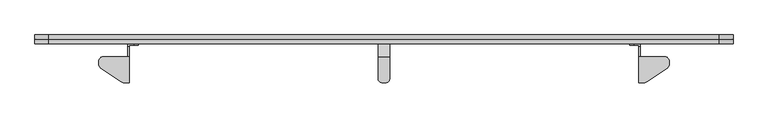
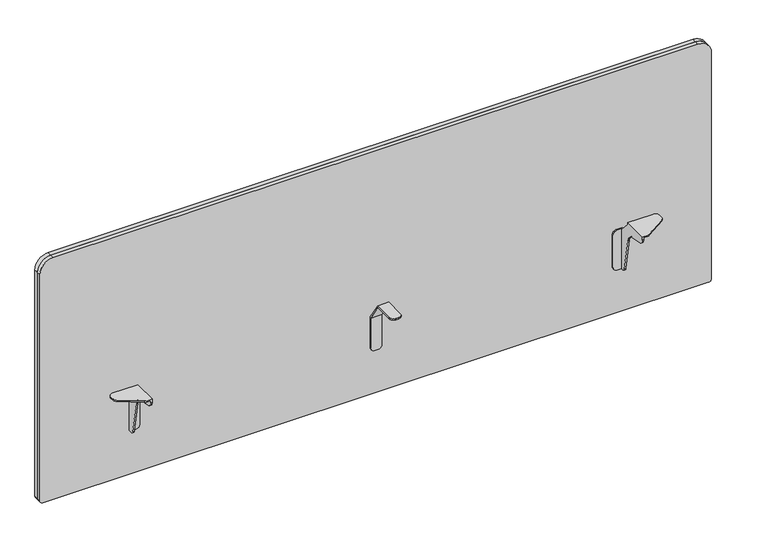
"""IFC4 building model written with IfcOpenShell, lengths in millimetres: furniture geometry."""

from ifc_helpers import new_model, si_unit, frame, origin, place, context, project, spatial, polyline, circle_curve, source, transform, mapped, element, save
from ifc_brep_helpers import plane_surface, cylinder_surface, revolved_surface, advanced_brep


def furniture_8a309fe4(model_context):
    return source(origin(), model_context, "Body", "AdvancedBrep", [
        advanced_brep(
        [(749.2997169, -51.5620008, 711.1999758), (749.2997169, -51.5620008, 708.1519787), (758.8247169, -61.0870008, 708.1519787), (758.8247169, -61.0870008, 711.1999758), (774.6996927, -51.5620008, 708.1519787), (774.6996927, -51.5620008, 711.1999758), (765.1746927, -61.0870008, 711.1999758), (765.1746927, -61.0870008, 708.1519787), (749.2997169, -5.7911998, 711.1999758), (749.2997169, 24.0041421, 665.1039487), (749.2997169, 24.0041421, 594.5378016), (749.2997169, 20.8280006, 594.5378016), (749.2997169, 20.8280006, 665.3021959), (749.2997169, -6.8690484, 708.1519787), (774.6996927, -6.8690484, 708.1519787), (774.6996927, 20.8280006, 665.3021959), (774.6996927, 20.8280006, 594.5378016), (774.6996927, 24.0041421, 594.5378016), (774.6996927, 24.0041421, 665.1039487), (774.6996927, -5.7911998, 711.1999758), (765.1746927, 24.0041421, 585.0128016), (758.8247169, 24.0041421, 585.0128016), (758.8247169, 20.8280006, 585.0128016), (765.1746927, 20.8280006, 585.0128016)],
        [
            (0, 1),
            (1, 2, circle_curve(frame((758.8247169, -51.5620008, 708.1519787), z_axis=(0.0, 0.0, 1.0), x_axis=(0.0, 1.0, 0.0)), 9.525)),
            (2, 3),
            (3, 0, circle_curve(frame((758.8247169, -51.5620008, 711.1999758), z_axis=(0.0, 0.0, -1.0), x_axis=(0.0, 1.0, 0.0)), 9.525)),
            (4, 5),
            (5, 6, circle_curve(frame((765.1746927, -51.5620008, 711.1999758), z_axis=(0.0, 0.0, -1.0), x_axis=(0.0, 1.0, 0.0)), 9.525)),
            (6, 7),
            (7, 4, circle_curve(frame((765.1746927, -51.5620008, 708.1519787), z_axis=(0.0, 0.0, 1.0), x_axis=(0.0, 1.0, 0.0)), 9.525)),
            (8, 9),
            (9, 10),
            (10, 11),
            (11, 12),
            (12, 13),
            (13, 1),
            (0, 8),
            (14, 15),
            (15, 16),
            (16, 17),
            (17, 18),
            (18, 19),
            (19, 5),
            (4, 14),
            (13, 14),
            (7, 2),
            (19, 8),
            (3, 6),
            (18, 9),
            (17, 20, circle_curve(frame((765.1746927, 24.0041421, 594.5378016), z_axis=(0.0, 1.0, 0.0), x_axis=(-1.0, 0.0, 0.0)), 9.525)),
            (20, 21),
            (21, 10, circle_curve(frame((758.8247169, 24.0041421, 594.5378016), z_axis=(0.0, 1.0, 0.0), x_axis=(-1.0, 0.0, 0.0)), 9.525)),
            (15, 12),
            (11, 22, circle_curve(frame((758.8247169, 20.8280006, 594.5378016), z_axis=(0.0, -1.0, 0.0), x_axis=(-1.0, 0.0, 0.0)), 9.525)),
            (22, 23),
            (23, 16, circle_curve(frame((765.1746927, 20.8280006, 594.5378016), z_axis=(0.0, -1.0, 0.0), x_axis=(-1.0, 0.0, 0.0)), 9.525)),
            (22, 21),
            (20, 23),
        ],
        [
            cylinder_surface(frame((758.8247169, -51.5620008, 711.1999758), z_axis=(0.0, 0.0, 1.0), x_axis=(0.0, 1.0, 0.0)), 9.525),
            cylinder_surface(frame((765.1746927, -51.5620008, 711.1999758), z_axis=(0.0, 0.0, 1.0), x_axis=(0.0, 1.0, 0.0)), 9.525),
            plane_surface(frame((749.2997169, 0.0, 629.5388266), z_axis=(-1.0, 0.0, 0.0), x_axis=(0.0, 0.0, 1.0))),
            plane_surface(frame((774.6996927, 0.0, 629.5388266), z_axis=(1.0, 0.0, 0.0), x_axis=(0.0, 0.0, 1.0))),
            plane_surface(frame((749.2997169, -6.8690484, 708.1519787), z_axis=(0.0, 0.0, -1.0), x_axis=(1.0, 0.0, 0.0))),
            plane_surface(frame((749.2997169, -61.0870008, 711.1999758), z_axis=(0.0, 0.0, 1.0), x_axis=(1.0, 0.0, 0.0))),
            plane_surface(frame((749.2997169, -5.7911998, 711.1999758), z_axis=(0.0, 0.8398318088964818, 0.5428466936121683), x_axis=(1.0, 0.0, 0.0))),
            plane_surface(frame((749.2997169, 24.0041421, 665.1039487), z_axis=(0.0, 1.0, 0.0), x_axis=(1.0, 0.0, 0.0))),
            plane_surface(frame((749.2997169, 20.8280006, 585.0128016), z_axis=(0.0, -1.0, 0.0), x_axis=(1.0, 0.0, 0.0))),
            plane_surface(frame((749.2997169, 20.8280006, 665.3021959), z_axis=(0.0, -0.8398318106362305, -0.5428466909206234), x_axis=(1.0, 0.0, 0.0))),
            plane_surface(frame((749.2997169, -61.0870008, 708.1519787), z_axis=(0.0, -1.0, 0.0), x_axis=(1.0, 0.0, 0.0))),
            plane_surface(frame((749.2997169, 24.0041421, 585.0128016), z_axis=(0.0, 0.0, -1.0), x_axis=(1.0, 0.0, 0.0))),
            cylinder_surface(frame((758.8247169, 20.8280006, 594.5378016), z_axis=(0.0, -1.0, 0.0), x_axis=(-1.0, 0.0, 0.0)), 9.525),
            cylinder_surface(frame((765.1746927, 20.8280006, 594.5378016), z_axis=(0.0, -1.0, 0.0), x_axis=(-1.0, 0.0, 0.0)), 9.525),
        ],
        [
            (0, [[1, 2, 3, 4]]),
            (1, [[5, 6, 7, 8]]),
            (2, [[9, 10, 11, 12, 13, 14, -1, 15]]),
            (3, [[16, 17, 18, 19, 20, 21, -5, 22]]),
            (4, [[23, -22, -8, 24, -2, -14]]),
            (5, [[25, -15, -4, 26, -6, -21]]),
            (6, [[-9, -25, -20, 27]]),
            (7, [[-27, -19, 28, 29, 30, -10]]),
            (8, [[31, -12, 32, 33, 34, -17]]),
            (9, [[-13, -31, -16, -23]]),
            (10, [[-26, -3, -24, -7]]),
            (11, [[-33, 35, -29, 36]]),
            (12, [[-11, -30, -35, -32]]),
            (13, [[-18, -34, -36, -28]]),
        ],
    ),
        advanced_brep(
        [(206.8829935, -4.3180001, 711.1999758), (150.402651, -4.3180001, 711.1999758), (140.5889931, -14.1316581, 711.1999758), (140.5889931, -20.7803664, 711.1999758), (145.2146694, -29.3891686, 711.1999758), (190.0644164, -59.0745687, 711.1999758), (196.3290217, -60.9600009, 711.1999758), (206.8829935, -60.9600009, 711.1999758), (196.3290217, -60.9600009, 708.1519787), (190.0644164, -59.0745687, 708.1519787), (145.2146694, -29.3891686, 708.1519787), (140.5889931, -20.7803664, 708.1519787), (140.5889931, -14.1316581, 708.1519787), (150.402651, -4.3180001, 708.1519787), (203.8349964, -4.3180001, 708.1519787), (203.8349964, -60.9600009, 708.1519787), (206.8829935, -4.3180001, 706.1199806), (203.8349964, -4.3180001, 706.1199806), (203.8349964, -60.9600009, 703.8265101), (206.8829935, -60.9600009, 703.8265101), (206.8829935, -50.2113329, 691.0167374), (206.8829935, -23.9076971, 686.378678), (206.8829935, -3.731792, 666.2027591), (206.8829935, 9.5046172, 591.1353553), (206.8829935, 15.6509087, 585.9780044), (206.8829935, 20.8280006, 585.9780044), (206.8829935, 20.8280006, 681.227968), (206.8829935, 18.7960002, 681.227968), (203.8349964, 18.7960002, 681.227968), (203.8349964, 24.0041421, 681.227968), (203.8349964, 24.0041421, 585.9780044), (203.8349964, 15.6509087, 585.9780044), (203.8349964, 9.5046172, 591.1353553), (203.8349964, -3.731792, 666.2027591), (203.8349964, -23.9076971, 686.378678), (203.8349964, -50.2113329, 691.0167374), (216.6619932, 24.0041421, 681.227968), (226.1869932, 24.0041421, 671.702968), (226.1869932, 24.0041421, 595.5030044), (216.6619932, 24.0041421, 585.9780044), (216.6619932, 20.8280006, 585.9780044), (216.6619932, 20.8280006, 681.227968), (226.1869932, 20.8280006, 595.5030044), (226.1869932, 20.8280006, 671.702968)],
        [
            (0, 1),
            (1, 2, circle_curve(frame((150.402651, -14.1316581, 711.1999758), z_axis=(0.0, 0.0, 1.0), x_axis=(-1.0, 0.0, 0.0)), 9.8136579)),
            (2, 3),
            (3, 4, circle_curve(frame((150.9127113, -20.7803664, 711.1999758), z_axis=(0.0, 0.0, 1.0), x_axis=(-1.0, 0.0, 0.0)), 10.3237182)),
            (4, 5),
            (5, 6, circle_curve(frame((196.3290217, -49.6097826, 711.1999758), z_axis=(0.0, 0.0, 1.0), x_axis=(-1.0, 0.0, 0.0)), 11.3502183)),
            (6, 7),
            (7, 0),
            (8, 9, circle_curve(frame((196.3290217, -49.6097826, 708.1519787), z_axis=(0.0, 0.0, -1.0), x_axis=(-1.0, 0.0, 0.0)), 11.3502183)),
            (9, 10),
            (10, 11, circle_curve(frame((150.9127113, -20.7803664, 708.1519787), z_axis=(0.0, 0.0, -1.0), x_axis=(-1.0, 0.0, 0.0)), 10.3237182)),
            (11, 12),
            (12, 13, circle_curve(frame((150.402651, -14.1316581, 708.1519787), z_axis=(0.0, 0.0, -1.0), x_axis=(-1.0, 0.0, 0.0)), 9.8136579)),
            (13, 14),
            (14, 15),
            (15, 8),
            (0, 16),
            (16, 17),
            (17, 14),
            (13, 1),
            (12, 2),
            (11, 3),
            (10, 4),
            (9, 5),
            (8, 6),
            (15, 18),
            (18, 19),
            (19, 7),
            (19, 20, circle_curve(frame((206.8829935, -47.9526152, 703.8265101), z_axis=(1.0, 0.0, 0.0), x_axis=(0.0, 1.0, 0.0)), 13.0073857)),
            (20, 21),
            (21, 22, circle_curve(frame((206.8829935, -28.2268544, 661.8836185), z_axis=(-1.0, 0.0, 0.0), x_axis=(0.0, 1.0, 0.0)), 24.8729383)),
            (22, 23),
            (23, 24, circle_curve(frame((206.8829935, 15.6509087, 592.2191124), z_axis=(1.0, 0.0, 0.0), x_axis=(0.0, 1.0, 0.0)), 6.241108)),
            (24, 25),
            (25, 26),
            (26, 27),
            (27, 16),
            (17, 28),
            (28, 29),
            (29, 30),
            (30, 31),
            (31, 32, circle_curve(frame((203.8349964, 15.6509087, 592.2191124), z_axis=(-1.0, 0.0, 0.0), x_axis=(0.0, 1.0, 0.0)), 6.241108)),
            (32, 33),
            (33, 34, circle_curve(frame((203.8349964, -28.2268544, 661.8836185), z_axis=(1.0, 0.0, 0.0), x_axis=(0.0, 1.0, 0.0)), 24.8729383)),
            (34, 35),
            (35, 18, circle_curve(frame((203.8349964, -47.9526152, 703.8265101), z_axis=(-1.0, 0.0, 0.0), x_axis=(0.0, 1.0, 0.0)), 13.0073857)),
            (29, 36),
            (36, 37, circle_curve(frame((216.6619932, 24.0041421, 671.702968), z_axis=(0.0, 1.0, 0.0), x_axis=(1.0, 0.0, 0.0)), 9.525)),
            (37, 38),
            (38, 39, circle_curve(frame((216.6619932, 24.0041421, 595.5030044), z_axis=(0.0, 1.0, 0.0), x_axis=(1.0, 0.0, 0.0)), 9.525)),
            (39, 30),
            (35, 20),
            (34, 21),
            (33, 22),
            (32, 23),
            (31, 24),
            (39, 40),
            (40, 25),
            (28, 27),
            (26, 41),
            (41, 36),
            (40, 42, circle_curve(frame((216.6619932, 20.8280006, 595.5030044), z_axis=(0.0, -1.0, 0.0), x_axis=(1.0, 0.0, 0.0)), 9.525)),
            (42, 43),
            (43, 41, circle_curve(frame((216.6619932, 20.8280006, 671.702968), z_axis=(0.0, -1.0, 0.0), x_axis=(1.0, 0.0, 0.0)), 9.525)),
            (38, 42),
            (37, 43),
        ],
        [
            plane_surface(frame((150.402651, -4.3180001, 711.1999758), z_axis=(0.0, 0.0, 1.0), x_axis=(-1.0, 0.0, 0.0))),
            plane_surface(frame((150.402651, -4.3180001, 708.1519787), z_axis=(0.0, 0.0, -1.0), x_axis=(1.0, 0.0, 0.0))),
            plane_surface(frame((206.8829935, -4.3180001, 711.1999758), z_axis=(0.0, 1.0, 0.0), x_axis=(0.0, 0.0, -1.0))),
            cylinder_surface(frame((150.402651, -14.1316581, 708.1519787), z_axis=(0.0, 0.0, 1.0), x_axis=(-1.0, 0.0, 0.0)), 9.8136579),
            plane_surface(frame((140.5889931, -14.1316581, 711.1999758), z_axis=(-1.0, 0.0, 0.0), x_axis=(0.0, 0.0, -1.0))),
            cylinder_surface(frame((150.9127113, -20.7803664, 708.1519787), z_axis=(0.0, 0.0, 1.0), x_axis=(-1.0, 0.0, 0.0)), 10.3237182),
            plane_surface(frame((145.2146694, -29.3891686, 711.1999758), z_axis=(-0.5519369866119054, -0.8338858212068182, 0.0), x_axis=(0.0, 0.0, -1.0))),
            cylinder_surface(frame((196.3290217, -49.6097826, 708.1519787), z_axis=(0.0, 0.0, 1.0), x_axis=(-1.0, 0.0, 0.0)), 11.3502183),
            plane_surface(frame((196.3290217, -60.9600009, 711.1999758), z_axis=(0.0, -1.0, 0.0), x_axis=(0.0, 0.0, -1.0))),
            plane_surface(frame((206.8829935, -60.9600009, 711.1999758), z_axis=(1.0, 0.0, 0.0), x_axis=(0.0, 0.0, -1.0))),
            plane_surface(frame((203.8349964, -60.9600009, 708.1519787), z_axis=(-1.0, 0.0, 0.0), x_axis=(0.0, 1.0, 0.0))),
            plane_surface(frame((206.8829935, 24.0041421, 585.9780044), z_axis=(0.0, 1.0, 0.0), x_axis=(-1.0, 0.0, 0.0))),
            cylinder_surface(frame((203.8349964, -47.9526152, 703.8265101), z_axis=(1.0, 0.0, 0.0), x_axis=(0.0, 1.0, 0.0)), 13.0073857),
            plane_surface(frame((206.8829935, -50.2113329, 691.0167374), z_axis=(0.0, -0.17364885742427638, -0.9848076331524057), x_axis=(-1.0, 0.0, 0.0))),
            revolved_surface(polyline([(203.8349964, -3.3539160999999993, 661.8836185), (206.8829935, -3.3539160999999993, 661.8836185)]), (203.8349964, -28.2268544, 661.8836185), (-1.0, 0.0, 0.0)),
            plane_surface(frame((206.8829935, -3.731792, 666.2027591), z_axis=(0.0, -0.9848077519646093, -0.17364818360815795), x_axis=(-1.0, 0.0, 0.0))),
            cylinder_surface(frame((203.8349964, 15.6509087, 592.2191124), z_axis=(1.0, 0.0, 0.0), x_axis=(0.0, 1.0, 0.0)), 6.241108),
            plane_surface(frame((206.8829935, 15.6509087, 585.9780044), z_axis=(0.0, 0.0, -1.0), x_axis=(-1.0, 0.0, 0.0))),
            plane_surface(frame((206.8829935, 24.0041421, 681.227968), z_axis=(0.0, 0.0, 1.0), x_axis=(-1.0, 0.0, 0.0))),
            plane_surface(frame((206.8829935, 18.7960002, 681.227968), z_axis=(0.0, 0.7327936577078579, 0.6804509205101709), x_axis=(-1.0, 0.0, 0.0))),
            plane_surface(frame((216.6619932, 20.8280006, 585.9780044), z_axis=(0.0, -1.0, 0.0), x_axis=(1.0, 0.0, 0.0))),
            cylinder_surface(frame((216.6619932, 24.0041421, 595.5030044), z_axis=(0.0, -1.0, 0.0), x_axis=(1.0, 0.0, 0.0)), 9.525),
            plane_surface(frame((226.1869932, 20.8280006, 595.5030044), z_axis=(1.0, 0.0, 0.0), x_axis=(0.0, 1.0, 0.0))),
            cylinder_surface(frame((216.6619932, 24.0041421, 671.702968), z_axis=(0.0, -1.0, 0.0), x_axis=(1.0, 0.0, 0.0)), 9.525),
        ],
        [
            (0, [[1, 2, 3, 4, 5, 6, 7, 8]]),
            (1, [[9, 10, 11, 12, 13, 14, 15, 16]]),
            (2, [[-1, 17, 18, 19, -14, 20]]),
            (3, [[-2, -20, -13, 21]]),
            (4, [[-3, -21, -12, 22]]),
            (5, [[-4, -22, -11, 23]]),
            (6, [[-5, -23, -10, 24]]),
            (7, [[-6, -24, -9, 25]]),
            (8, [[-7, -25, -16, 26, 27, 28]]),
            (9, [[-8, -28, 29, 30, 31, 32, 33, 34, 35, 36, 37, -17]]),
            (10, [[-19, 38, 39, 40, 41, 42, 43, 44, 45, 46, -26, -15]]),
            (11, [[-40, 47, 48, 49, 50, 51]]),
            (12, [[-46, 52, -29, -27]]),
            (13, [[-45, 53, -30, -52]]),
            (14, [[-44, 54, -31, -53]]),
            (15, [[-43, 55, -32, -54]]),
            (16, [[-42, 56, -33, -55]]),
            (17, [[-56, -41, -51, 57, 58, -34]]),
            (18, [[59, -36, 60, 61, -47, -39]]),
            (19, [[-38, -18, -37, -59]]),
            (20, [[62, 63, 64, -60, -35, -58]]),
            (21, [[-62, -57, -50, 65]]),
            (22, [[-63, -65, -49, 66]]),
            (23, [[-64, -66, -48, -61]]),
        ],
    ),
        advanced_brep(
        [(1317.1169884, -4.3180001, 711.1999758), (1317.1169884, -60.9600009, 711.1999758), (1327.6709601, -60.9600009, 711.1999758), (1333.9355654, -59.0745687, 711.1999758), (1378.7853125, -29.3891686, 711.1999758), (1383.4109887, -20.7803664, 711.1999758), (1383.4109887, -14.1316581, 711.1999758), (1373.5973308, -4.3180001, 711.1999758), (1373.5973308, -4.3180001, 708.1519787), (1383.4109887, -14.1316581, 708.1519787), (1383.4109887, -20.7803664, 708.1519787), (1378.7853125, -29.3891686, 708.1519787), (1333.9355654, -59.0745687, 708.1519787), (1327.6709601, -60.9600009, 708.1519787), (1320.1649855, -60.9600009, 708.1519787), (1320.1649855, -4.3180001, 708.1519787), (1317.1169884, -4.3180001, 706.1199806), (1317.1169884, 18.7960002, 681.227968), (1317.1169884, 20.8280006, 681.227968), (1317.1169884, 20.8280006, 585.9780044), (1317.1169884, 15.6509087, 585.9780044), (1317.1169884, 9.5046172, 591.1353553), (1317.1169884, -3.731792, 666.2027591), (1317.1169884, -23.9076971, 686.378678), (1317.1169884, -50.2113329, 691.0167374), (1317.1169884, -60.9600009, 703.8265101), (1320.1649855, -60.9600009, 703.8265101), (1320.1649855, -4.3180001, 706.1199806), (1320.1655941, 24.0041421, 585.9780044), (1307.3385972, 24.0041421, 585.9780044), (1297.8135972, 24.0041421, 595.5030044), (1297.8135972, 24.0041421, 671.702968), (1307.3385972, 24.0041421, 681.227968), (1320.1655941, 24.0041421, 681.227968), (1307.3385972, 20.8280006, 681.227968), (1297.8135972, 20.8280006, 671.702968), (1297.8135972, 20.8280006, 595.5030044), (1307.3385972, 20.8280006, 585.9780044), (1320.1655941, 18.7960002, 681.227968), (1320.1655941, -50.2113329, 691.0167374), (1320.1655941, -23.9076971, 686.378678), (1320.1655941, -3.731792, 666.2027591), (1320.1655941, 9.5046172, 591.1353553), (1320.1655941, 15.6509087, 585.9780044)],
        [
            (0, 1),
            (1, 2),
            (2, 3, circle_curve(frame((1327.6709601, -49.6097826, 711.1999758), z_axis=(0.0, 0.0, 1.0), x_axis=(-1.0, 0.0, 0.0)), 11.3502183)),
            (3, 4),
            (4, 5, circle_curve(frame((1373.0872706, -20.7803664, 711.1999758), z_axis=(0.0, 0.0, 1.0), x_axis=(-1.0, 0.0, 0.0)), 10.3237182)),
            (5, 6),
            (6, 7, circle_curve(frame((1373.5973308, -14.1316581, 711.1999758), z_axis=(0.0, 0.0, 1.0), x_axis=(-1.0, 0.0, 0.0)), 9.8136579)),
            (7, 0),
            (8, 9, circle_curve(frame((1373.5973308, -14.1316581, 708.1519787), z_axis=(0.0, 0.0, -1.0), x_axis=(-1.0, 0.0, 0.0)), 9.8136579)),
            (9, 10),
            (10, 11, circle_curve(frame((1373.0872706, -20.7803664, 708.1519787), z_axis=(0.0, 0.0, -1.0), x_axis=(-1.0, 0.0, 0.0)), 10.3237182)),
            (11, 12),
            (12, 13, circle_curve(frame((1327.6709601, -49.6097826, 708.1519787), z_axis=(0.0, 0.0, -1.0), x_axis=(-1.0, 0.0, 0.0)), 11.3502183)),
            (13, 14),
            (14, 15),
            (15, 8),
            (0, 16),
            (16, 17),
            (17, 18),
            (18, 19),
            (19, 20),
            (20, 21, circle_curve(frame((1317.1169884, 15.6509087, 592.2191124), z_axis=(-1.0, 0.0, 0.0), x_axis=(0.0, 1.0, 0.0)), 6.241108)),
            (21, 22),
            (22, 23, circle_curve(frame((1317.1169884, -28.2268544, 661.8836185), z_axis=(1.0, 0.0, 0.0), x_axis=(0.0, 1.0, 0.0)), 24.8729383)),
            (23, 24),
            (24, 25, circle_curve(frame((1317.1169884, -47.9526152, 703.8265101), z_axis=(-1.0, 0.0, 0.0), x_axis=(0.0, 1.0, 0.0)), 13.0073857)),
            (25, 1),
            (25, 26),
            (26, 14),
            (13, 2),
            (12, 3),
            (11, 4),
            (10, 5),
            (9, 6),
            (8, 7),
            (15, 27),
            (27, 16),
            (28, 29),
            (29, 30, circle_curve(frame((1307.3385972, 24.0041421, 595.5030044), z_axis=(0.0, 1.0, 0.0), x_axis=(1.0, 0.0, 0.0)), 9.525)),
            (30, 31),
            (31, 32, circle_curve(frame((1307.3385972, 24.0041421, 671.702968), z_axis=(0.0, 1.0, 0.0), x_axis=(1.0, 0.0, 0.0)), 9.525)),
            (32, 33),
            (33, 28),
            (34, 35, circle_curve(frame((1307.3385972, 20.8280006, 671.702968), z_axis=(0.0, -1.0, 0.0), x_axis=(1.0, 0.0, 0.0)), 9.525)),
            (35, 36),
            (36, 37, circle_curve(frame((1307.3385972, 20.8280006, 595.5030044), z_axis=(0.0, -1.0, 0.0), x_axis=(1.0, 0.0, 0.0)), 9.525)),
            (37, 19),
            (18, 34),
            (33, 38),
            (38, 27),
            (26, 39, circle_curve(frame((1320.1655941, -47.9526152, 703.8265101), z_axis=(1.0, 0.0, 0.0), x_axis=(0.0, 1.0, 0.0)), 13.0073857)),
            (39, 40),
            (40, 41, circle_curve(frame((1320.1655941, -28.2268544, 661.8836185), z_axis=(-1.0, 0.0, 0.0), x_axis=(0.0, 1.0, 0.0)), 24.8729383)),
            (41, 42),
            (42, 43, circle_curve(frame((1320.1655941, 15.6509087, 592.2191124), z_axis=(1.0, 0.0, 0.0), x_axis=(0.0, 1.0, 0.0)), 6.241108)),
            (43, 28),
            (32, 34),
            (17, 38),
            (31, 35),
            (30, 36),
            (29, 37),
            (43, 20),
            (39, 24),
            (23, 40),
            (42, 21),
            (41, 22),
        ],
        [
            plane_surface(frame((150.402651, -4.3180001, 711.1999758), z_axis=(0.0, 0.0, 1.0), x_axis=(-1.0, 0.0, 0.0))),
            plane_surface(frame((150.402651, -4.3180001, 708.1519787), z_axis=(0.0, 0.0, -1.0), x_axis=(1.0, 0.0, 0.0))),
            plane_surface(frame((1317.1169884, -4.3180001, 711.1999758), z_axis=(-1.0, 0.0, 0.0), x_axis=(0.0, 0.0, -1.0))),
            plane_surface(frame((1317.1169884, -60.9600009, 711.1999758), z_axis=(0.0, -1.0, 0.0), x_axis=(0.0, 0.0, -1.0))),
            cylinder_surface(frame((1327.6709601, -49.6097826, 629.5388266), z_axis=(0.0, 0.0, 1.0), x_axis=(-1.0, 0.0, 0.0)), 11.3502183),
            plane_surface(frame((1333.9355654, -59.0745687, 711.1999758), z_axis=(0.5519369866119054, -0.8338858212068181, 0.0), x_axis=(0.0, 0.0, -1.0))),
            cylinder_surface(frame((1373.0872706, -20.7803664, 629.5388266), z_axis=(0.0, 0.0, 1.0), x_axis=(-1.0, 0.0, 0.0)), 10.3237182),
            plane_surface(frame((1383.4109887, -20.7803664, 711.1999758), z_axis=(1.0, 0.0, 0.0), x_axis=(0.0, 0.0, -1.0))),
            cylinder_surface(frame((1373.5973308, -14.1316581, 629.5388266), z_axis=(0.0, 0.0, 1.0), x_axis=(-1.0, 0.0, 0.0)), 9.8136579),
            plane_surface(frame((1373.5973308, -4.3180001, 711.1999758), z_axis=(0.0, 1.0, 0.0), x_axis=(0.0, 0.0, -1.0))),
            plane_surface(frame((206.8829935, 24.0041421, 585.9780044), z_axis=(0.0, 1.0, 0.0), x_axis=(-1.0, 0.0, 0.0))),
            plane_surface(frame((216.6619932, 20.8280006, 585.9780044), z_axis=(0.0, -1.0, 0.0), x_axis=(1.0, 0.0, 0.0))),
            plane_surface(frame((1320.1655941, 20.8280006, 585.9780044), z_axis=(1.0, 0.0, 0.0), x_axis=(0.0, 1.0, 0.0))),
            plane_surface(frame((1320.1655941, 20.8280006, 681.227968), z_axis=(0.0, 0.0, 1.0), x_axis=(0.0, 1.0, 0.0))),
            cylinder_surface(frame((1307.3385972, 0.0, 671.702968), z_axis=(0.0, -1.0, 0.0), x_axis=(1.0, 0.0, 0.0)), 9.525),
            plane_surface(frame((1297.8135972, 20.8280006, 671.702968), z_axis=(-1.0, 0.0, 0.0), x_axis=(0.0, 1.0, 0.0))),
            cylinder_surface(frame((1307.3385972, 0.0, 595.5030044), z_axis=(0.0, -1.0, 0.0), x_axis=(1.0, 0.0, 0.0)), 9.525),
            plane_surface(frame((1307.3385972, 20.8280006, 585.9780044), z_axis=(0.0, 0.0, -1.0), x_axis=(0.0, 1.0, 0.0))),
            plane_surface(frame((1317.1169884, -23.9076971, 686.378678), z_axis=(0.0, -0.17364885742426076, -0.9848076331524085), x_axis=(1.0, 0.0, 0.0))),
            cylinder_surface(frame((1320.1649855, -47.9526152, 703.8265101), z_axis=(-1.0, 0.0, 0.0), x_axis=(0.0, 1.0, 0.0)), 13.0073857),
            plane_surface(frame((1317.1169884, -4.3180001, 706.1199806), z_axis=(0.0, 0.7327936577079038, 0.6804509205101213), x_axis=(1.0, 0.0, 0.0))),
            cylinder_surface(frame((1320.1649855, 15.6509087, 592.2191124), z_axis=(-1.0, 0.0, 0.0), x_axis=(0.0, 1.0, 0.0)), 6.241108),
            plane_surface(frame((1317.1169884, 9.5046172, 591.1353553), z_axis=(0.0, -0.9848077519646028, -0.1736481836081949), x_axis=(1.0, 0.0, 0.0))),
            revolved_surface(polyline([(1320.1655941, -3.3539160999999993, 661.8836185), (1317.1169884, -3.3539160999999993, 661.8836185)]), (1320.1649855, -28.2268544, 661.8836185), (1.0, 0.0, 0.0)),
        ],
        [
            (0, [[1, 2, 3, 4, 5, 6, 7, 8]]),
            (1, [[9, 10, 11, 12, 13, 14, 15, 16]]),
            (2, [[-1, 17, 18, 19, 20, 21, 22, 23, 24, 25, 26, 27]]),
            (3, [[-2, -27, 28, 29, -14, 30]]),
            (4, [[-3, -30, -13, 31]]),
            (5, [[-4, -31, -12, 32]]),
            (6, [[-5, -32, -11, 33]]),
            (7, [[-6, -33, -10, 34]]),
            (8, [[-7, -34, -9, 35]]),
            (9, [[-17, -8, -35, -16, 36, 37]]),
            (10, [[38, 39, 40, 41, 42, 43]]),
            (11, [[44, 45, 46, 47, -20, 48]]),
            (12, [[-43, 49, 50, -36, -15, -29, 51, 52, 53, 54, 55, 56]]),
            (13, [[-49, -42, 57, -48, -19, 58]]),
            (14, [[-44, -57, -41, 59]]),
            (15, [[-45, -59, -40, 60]]),
            (16, [[-46, -60, -39, 61]]),
            (17, [[-56, 62, -21, -47, -61, -38]]),
            (18, [[-52, 63, -25, 64]]),
            (19, [[-51, -28, -26, -63]]),
            (20, [[-50, -58, -18, -37]]),
            (21, [[-55, 65, -22, -62]]),
            (22, [[-54, 66, -23, -65]]),
            (23, [[-53, -64, -24, -66]]),
        ],
    ),
        advanced_brep(
        [(1516.1333048, 24.0439405, 481.5071282), (1522.4833048, 24.0439405, 487.8571282), (1522.4833048, 24.0439405, 1029.9183559), (1492.0033048, 24.0439405, 1060.3983559), (32.0103004, 24.0439405, 1060.3983559), (1.5303004, 24.0439405, 1029.9183559), (1.5303004, 24.0439405, 487.8571282), (7.8803004, 24.0439405, 481.5071282), (1522.4833048, 43.052968, 487.8571282), (1516.1333048, 43.052968, 481.5071282), (7.8803004, 43.052968, 481.5071282), (1.5303004, 43.052968, 487.8571282), (1.5303004, 43.052968, 1029.9183559), (32.0103004, 43.052968, 1060.3983559), (1492.0033048, 43.052968, 1060.3983559), (1522.4833048, 43.052968, 1029.9183559), (1522.4833048, 33.781986, 487.8571282), (1516.1333048, 33.781986, 481.5071282), (1521.6831773, 33.5484543, 487.8571282), (1516.1333048, 33.5484543, 482.3072558), (1522.4833048, 33.3149225, 487.8571282), (1516.1333048, 33.3149225, 481.5071282), (1522.4833048, 33.781986, 1029.9183559), (1521.6831773, 33.5484543, 1029.9183559), (1522.4833048, 33.3149225, 1029.9183559), (1492.0033048, 33.781986, 1060.3983559), (1492.0033048, 33.5484543, 1059.5982283), (1492.0033048, 33.3149225, 1060.3983559), (32.0103004, 33.781986, 1060.3983559), (32.0103004, 33.5484543, 1059.5982283), (32.0103004, 33.3149225, 1060.3983559), (1.5303004, 33.781986, 1029.9183559), (2.3304279, 33.5484543, 1029.9183559), (1.5303004, 33.3149225, 1029.9183559), (1.5303004, 33.781986, 487.8571282), (2.3304279, 33.5484543, 487.8571282), (1.5303004, 33.3149225, 487.8571282), (7.8803004, 33.781986, 481.5071282), (7.8803004, 33.5484543, 482.3072558), (7.8803004, 33.3149225, 481.5071282)],
        [
            (0, 1, circle_curve(frame((1516.1333048, 24.0439405, 487.8571282), z_axis=(0.0, -1.0, 0.0), x_axis=(0.0, 0.0, -1.0)), 6.35)),
            (1, 2),
            (2, 3, circle_curve(frame((1492.0033048, 24.0439405, 1029.9183559), z_axis=(0.0, -1.0, 0.0), x_axis=(1.0, 0.0, 0.0)), 30.48)),
            (3, 4),
            (4, 5, circle_curve(frame((32.0103004, 24.0439405, 1029.9183559), z_axis=(0.0, -1.0, 0.0), x_axis=(0.0, 0.0, 1.0)), 30.48)),
            (5, 6),
            (6, 7, circle_curve(frame((7.8803004, 24.0439405, 487.8571282), z_axis=(0.0, -1.0, 0.0), x_axis=(-1.0, 0.0, 0.0)), 6.35)),
            (7, 0),
            (8, 9, circle_curve(frame((1516.1333048, 43.052968, 487.8571282), z_axis=(0.0, 1.0, 0.0), x_axis=(0.0, 0.0, -1.0)), 6.35)),
            (9, 10),
            (10, 11, circle_curve(frame((7.8803004, 43.052968, 487.8571282), z_axis=(0.0, 1.0, 0.0), x_axis=(-1.0, 0.0, 0.0)), 6.35)),
            (11, 12),
            (12, 13, circle_curve(frame((32.0103004, 43.052968, 1029.9183559), z_axis=(0.0, 1.0, 0.0), x_axis=(0.0, 0.0, 1.0)), 30.48)),
            (13, 14),
            (14, 15, circle_curve(frame((1492.0033048, 43.052968, 1029.9183559), z_axis=(0.0, 1.0, 0.0), x_axis=(1.0, 0.0, 0.0)), 30.48)),
            (15, 8),
            (16, 17, circle_curve(frame((1516.1333048, 33.781986, 487.8571282), z_axis=(0.0, 1.0, 0.0), x_axis=(0.0, 0.0, -1.0)), 6.35)),
            (17, 9),
            (8, 16),
            (16, 18),
            (18, 19, circle_curve(frame((1516.1333048, 33.5484543, 487.8571282), z_axis=(0.0, 1.0, 0.0), x_axis=(0.0, 0.0, -1.0)), 5.5498725)),
            (19, 17),
            (18, 20),
            (20, 21, circle_curve(frame((1516.1333048, 33.3149225, 487.8571282), z_axis=(0.0, 1.0, 0.0), x_axis=(0.0, 0.0, -1.0)), 6.35)),
            (21, 19),
            (20, 1),
            (0, 21),
            (15, 22),
            (22, 16),
            (22, 23),
            (23, 18),
            (23, 24),
            (24, 20),
            (24, 2),
            (14, 25),
            (25, 22, circle_curve(frame((1492.0033048, 33.781986, 1029.9183559), z_axis=(0.0, 1.0, 0.0), x_axis=(1.0, 0.0, 0.0)), 30.48)),
            (25, 26),
            (26, 23, circle_curve(frame((1492.0033048, 33.5484543, 1029.9183559), z_axis=(0.0, 1.0, 0.0), x_axis=(1.0, 0.0, 0.0)), 29.6798725)),
            (26, 27),
            (27, 24, circle_curve(frame((1492.0033048, 33.3149225, 1029.9183559), z_axis=(0.0, 1.0, 0.0), x_axis=(1.0, 0.0, 0.0)), 30.48)),
            (27, 3),
            (13, 28),
            (28, 25),
            (28, 29),
            (29, 26),
            (29, 30),
            (30, 27),
            (30, 4),
            (12, 31),
            (31, 28, circle_curve(frame((32.0103004, 33.781986, 1029.9183559), z_axis=(0.0, 1.0, 0.0), x_axis=(0.0, 0.0, 1.0)), 30.48)),
            (31, 32),
            (32, 29, circle_curve(frame((32.0103004, 33.5484543, 1029.9183559), z_axis=(0.0, 1.0, 0.0), x_axis=(0.0, 0.0, 1.0)), 29.6798725)),
            (32, 33),
            (33, 30, circle_curve(frame((32.0103004, 33.3149225, 1029.9183559), z_axis=(0.0, 1.0, 0.0), x_axis=(0.0, 0.0, 1.0)), 30.48)),
            (33, 5),
            (11, 34),
            (34, 31),
            (34, 35),
            (35, 32),
            (35, 36),
            (36, 33),
            (36, 6),
            (10, 37),
            (37, 34, circle_curve(frame((7.8803004, 33.781986, 487.8571282), z_axis=(0.0, 1.0, 0.0), x_axis=(-1.0, 0.0, 0.0)), 6.35)),
            (37, 38),
            (38, 35, circle_curve(frame((7.8803004, 33.5484543, 487.8571282), z_axis=(0.0, 1.0, 0.0), x_axis=(-1.0, 0.0, 0.0)), 5.5498725)),
            (38, 39),
            (39, 36, circle_curve(frame((7.8803004, 33.3149225, 487.8571282), z_axis=(0.0, 1.0, 0.0), x_axis=(-1.0, 0.0, 0.0)), 6.35)),
            (39, 7),
            (17, 37),
            (19, 38),
            (21, 39),
        ],
        [
            plane_surface(frame((3.8562405, 24.0439405, 487.8571282), z_axis=(0.0, -1.0, 0.0), x_axis=(0.0, 0.0, -1.0))),
            plane_surface(frame((3.8562405, 43.052968, 487.8571282), z_axis=(0.0, 1.0, 0.0), x_axis=(0.0, 0.0, 1.0))),
            cylinder_surface(frame((1516.1333048, 33.5484543, 487.8571282), z_axis=(0.0, -1.0, 0.0), x_axis=(0.0, 0.0, -1.0)), 6.35),
            revolved_surface(polyline([(1516.1333048, 33.781986, 481.5071282), (1516.1333048, 33.5484543, 482.3072558)]), (1516.1333048, 33.5484543, 487.8571282), (0.0, -1.0, 0.0)),
            revolved_surface(polyline([(1516.1333048, 33.5484543, 482.3072558), (1516.1333048, 33.3149225, 481.5071282)]), (1516.1333048, 33.5484543, 487.8571282), (0.0, -1.0, 0.0)),
            plane_surface(frame((1522.4833048, 43.052968, 487.8571282), z_axis=(1.0, 0.0, 0.0), x_axis=(0.0, 0.0, 1.0))),
            plane_surface(frame((1522.4833048, 33.781986, 487.8571282), z_axis=(0.28017820000937, -0.9599480070501264, 0.0), x_axis=(0.0, 0.0, 1.0))),
            plane_surface(frame((1521.6831773, 33.5484543, 487.8571282), z_axis=(0.28017820000557897, 0.959948007051233, 0.0), x_axis=(0.0, 0.0, 1.0))),
            plane_surface(frame((1522.4833048, 33.3149225, 487.8571282), z_axis=(1.0, 0.0, 0.0), x_axis=(0.0, 0.0, 1.0))),
            cylinder_surface(frame((1492.0033048, 33.5484543, 1029.9183559), z_axis=(0.0, -1.0, 0.0), x_axis=(1.0, 0.0, 0.0)), 30.48),
            revolved_surface(polyline([(1522.4833048, 33.781986, 1029.9183559), (1521.6831773, 33.5484543, 1029.9183559)]), (1492.0033048, 33.5484543, 1029.9183559), (0.0, -1.0, 0.0)),
            revolved_surface(polyline([(1521.6831773, 33.5484543, 1029.9183559), (1522.4833048, 33.3149225, 1029.9183559)]), (1492.0033048, 33.5484543, 1029.9183559), (0.0, -1.0, 0.0)),
            plane_surface(frame((1492.0033048, 43.052968, 1060.3983559), z_axis=(0.0, 0.0, 1.0), x_axis=(-1.0, 0.0, 0.0))),
            plane_surface(frame((1492.0033048, 33.781986, 1060.3983559), z_axis=(0.0, -0.9599480070501255, 0.2801782000093731), x_axis=(-1.0, 0.0, 0.0))),
            plane_surface(frame((1492.0033048, 33.5484543, 1059.5982283), z_axis=(0.0, 0.9599480070512338, 0.28017820000557586), x_axis=(-1.0, 0.0, 0.0))),
            plane_surface(frame((1492.0033048, 33.3149225, 1060.3983559), z_axis=(0.0, 0.0, 1.0), x_axis=(-1.0, 0.0, 0.0))),
            cylinder_surface(frame((32.0103004, 33.5484543, 1029.9183559), z_axis=(0.0, -1.0, 0.0), x_axis=(0.0, 0.0, 1.0)), 30.48),
            revolved_surface(polyline([(32.0103004, 33.781986, 1060.3983559), (32.0103004, 33.5484543, 1059.5982283)]), (32.0103004, 33.5484543, 1029.9183559), (0.0, -1.0, 0.0)),
            revolved_surface(polyline([(32.0103004, 33.5484543, 1059.5982283), (32.0103004, 33.3149225, 1060.3983559)]), (32.0103004, 33.5484543, 1029.9183559), (0.0, -1.0, 0.0)),
            plane_surface(frame((1.5303004, 43.052968, 1029.9183559), z_axis=(-1.0, 0.0, 0.0), x_axis=(0.0, 0.0, -1.0))),
            plane_surface(frame((1.5303004, 33.781986, 1029.9183559), z_axis=(-0.2801782000093762, -0.9599480070501246, 0.0), x_axis=(0.0, 0.0, -1.0))),
            plane_surface(frame((2.3304279, 33.5484543, 1029.9183559), z_axis=(-0.28017820000557275, 0.9599480070512347, 0.0), x_axis=(0.0, 0.0, -1.0))),
            plane_surface(frame((1.5303004, 33.3149225, 1029.9183559), z_axis=(-1.0, 0.0, 0.0), x_axis=(0.0, 0.0, -1.0))),
            cylinder_surface(frame((7.8803004, 33.5484543, 487.8571282), z_axis=(0.0, -1.0, 0.0), x_axis=(-1.0, 0.0, 0.0)), 6.35),
            revolved_surface(polyline([(1.5303004, 33.781986, 487.8571282), (2.3304279, 33.5484543, 487.8571282)]), (7.8803004, 33.5484543, 487.8571282), (0.0, -1.0, 0.0)),
            revolved_surface(polyline([(2.3304279, 33.5484543, 487.8571282), (1.5303004, 33.3149225, 487.8571282)]), (7.8803004, 33.5484543, 487.8571282), (0.0, -1.0, 0.0)),
            plane_surface(frame((7.8803004, 43.052968, 481.5071282), z_axis=(0.0, 0.0, -1.0), x_axis=(1.0, 0.0, 0.0))),
            plane_surface(frame((7.8803004, 33.781986, 481.5071282), z_axis=(0.0, -0.9599480070501255, -0.2801782000093731), x_axis=(1.0, 0.0, 0.0))),
            plane_surface(frame((7.8803004, 33.5484543, 482.3072558), z_axis=(0.0, 0.9599480070512338, -0.28017820000557586), x_axis=(1.0, 0.0, 0.0))),
            plane_surface(frame((7.8803004, 33.3149225, 481.5071282), z_axis=(0.0, 0.0, -1.0), x_axis=(1.0, 0.0, 0.0))),
        ],
        [
            (0, [[1, 2, 3, 4, 5, 6, 7, 8]]),
            (1, [[9, 10, 11, 12, 13, 14, 15, 16]]),
            (2, [[17, 18, -9, 19]]),
            (3, [[-17, 20, 21, 22]]),
            (4, [[-21, 23, 24, 25]]),
            (2, [[-24, 26, -1, 27]]),
            (5, [[-19, -16, 28, 29]]),
            (6, [[-20, -29, 30, 31]]),
            (7, [[-23, -31, 32, 33]]),
            (8, [[-26, -33, 34, -2]]),
            (9, [[-28, -15, 35, 36]]),
            (10, [[-30, -36, 37, 38]]),
            (11, [[-32, -38, 39, 40]]),
            (9, [[-34, -40, 41, -3]]),
            (12, [[-35, -14, 42, 43]]),
            (13, [[-37, -43, 44, 45]]),
            (14, [[-39, -45, 46, 47]]),
            (15, [[-41, -47, 48, -4]]),
            (16, [[-42, -13, 49, 50]]),
            (17, [[-44, -50, 51, 52]]),
            (18, [[-46, -52, 53, 54]]),
            (16, [[-48, -54, 55, -5]]),
            (19, [[-49, -12, 56, 57]]),
            (20, [[-51, -57, 58, 59]]),
            (21, [[-53, -59, 60, 61]]),
            (22, [[-55, -61, 62, -6]]),
            (23, [[-56, -11, 63, 64]]),
            (24, [[-58, -64, 65, 66]]),
            (25, [[-60, -66, 67, 68]]),
            (23, [[-62, -68, 69, -7]]),
            (26, [[-18, 70, -63, -10]]),
            (27, [[-22, 71, -65, -70]]),
            (28, [[-25, 72, -67, -71]]),
            (29, [[-27, -8, -69, -72]]),
        ],
    ),
    ])


if __name__ == "__main__":
    model = new_model("IFC4")
    model_context = context("Model", 3, world=origin())
    ifc_project = project(units=[si_unit("LENGTHUNIT", "METRE", prefix="MILLI")], contexts=[model_context])
    site = spatial("IfcSite", under=ifc_project)
    building = spatial("IfcBuilding", under=site)
    placement = place(None, origin())
    furniture_shape = furniture_8a309fe4(model_context)
    element("IfcFurniture", 1, at=placement, inside=building, context=model_context, shape_type="MappedRepresentation", body=[
        mapped(furniture_shape, transform((0.0, 0.0, 0.0), x_axis=(1.0, 0.0, 0.0), y_axis=(0.0, 1.0, 0.0), z_axis=(0.0, 0.0, 1.0))),
    ])
    save(model, "model.ifc")
